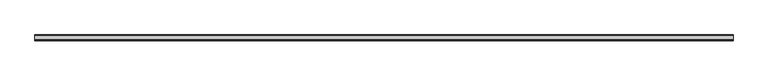
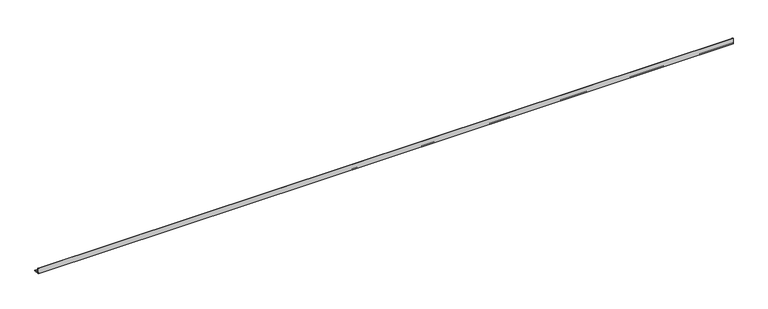
"""IFC4 building model written with IfcOpenShell, lengths in millimetres: beam geometry."""

from ifc_helpers import new_model, si_unit, point, frame, frame_2d, origin, place, context, project, spatial, polyline, circle_curve, trimmed, segment, composite_curve, outline, extrude, source, transform, mapped, element, save


def beam_008dea0f(model_context):
    return source(origin(), model_context, "Body", "SweptSolid", [
        extrude(outline(composite_curve([segment(polyline([(-21.3, -21.3), (-21.3, 53.7), (-18.3, 53.7)]), True, "CONTINUOUS"), segment(trimmed(circle_curve(frame_2d((-18.3, 48.7)), 5.0), [point((-18.3, 53.7))], [point((-13.3, 48.7))], False, "CARTESIAN"), True, "CONTINUOUS"), segment(polyline([(-13.3, 48.7), (-13.3, -5.3)]), True, "CONTINUOUS"), segment(trimmed(circle_curve(frame_2d((-5.3, -5.3)), 8.0), [point((-13.3, -5.3))], [point((-5.3, -13.3))], True, "CARTESIAN"), True, "CONTINUOUS"), segment(polyline([(-5.3, -13.3), (48.7, -13.3)]), True, "CONTINUOUS"), segment(trimmed(circle_curve(frame_2d((48.7, -18.3)), 5.0), [point((48.7, -13.3))], [point((53.7, -18.3))], False, "CARTESIAN"), True, "CONTINUOUS"), segment(polyline([(53.7, -18.3), (53.7, -21.3), (-21.3, -21.3)]), True, "CONTINUOUS")], self_intersect=False)), frame((-4435.5, 0.0, 0.0), z_axis=(1.0, 0.0, 0.0), x_axis=(0.0, 1.0, 0.0)), (0.0, 0.0, 1.0), 8935.0),
    ])


if __name__ == "__main__":
    model = new_model("IFC4")
    model_context = context("Model", 3, world=origin())
    ifc_project = project(units=[si_unit("LENGTHUNIT", "METRE", prefix="MILLI")], contexts=[model_context])
    site = spatial("IfcSite", under=ifc_project)
    building = spatial("IfcBuilding", under=site)
    placement = place(None, origin())
    beam_shape = beam_008dea0f(model_context)
    element("IfcBeam", 1, at=placement, inside=building, context=model_context, shape_type="MappedRepresentation", body=[
        mapped(beam_shape, transform((0.0, 0.0, 0.0), x_axis=(1.0, 0.0, 0.0), y_axis=(0.0, 1.0, 0.0), z_axis=(0.0, 0.0, 1.0))),
    ])
    save(model, "model.ifc")
